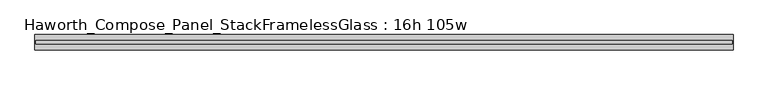
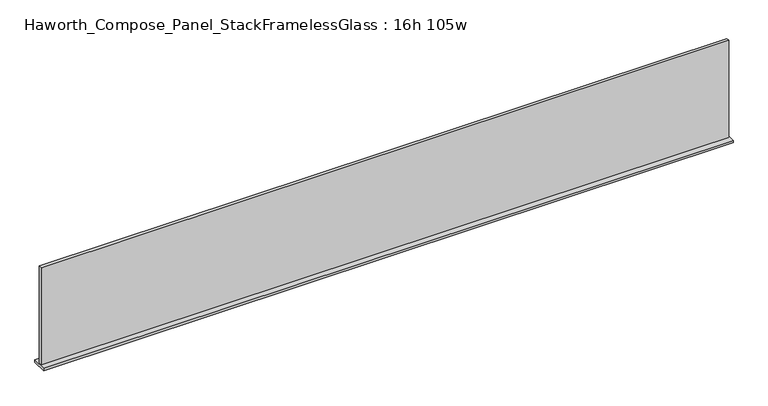
"""IFC4 building model written with IfcOpenShell, lengths in millimetres: furniture geometry, Haworth_Compose_Panel_StackFramelessGlass : 16h 105w."""

from ifc_helpers import new_model, si_unit, frame, origin, place, context, project, spatial, polyline, outline, extrude, source, transform, mapped, element, save


def haworth_compose_panel_stackframelessglass_16h_105w_3ed5bdb9(model_context):
    return source(origin(), model_context, "Body", "SweptSolid", [
        extrude(outline(polyline([(1332.7652902, -27.3093594), (-1327.8847098, -27.3093594), (-1327.8847098, -14.6093594), (1332.7652902, -14.6093594), (1332.7652902, -27.3093594)])), frame((0.0, 0.0, 1279.525), z_axis=(0.0, 0.0, 1.0), x_axis=(1.0, 0.0, 0.0)), (0.0, 0.0, 1.0), 396.875),
        extrude(outline(polyline([(-1331.0597098, -50.3281094), (-1331.0597098, 8.4093906), (1335.9402902, 8.4093906), (1335.9402902, -50.3281094), (-1331.0597098, -50.3281094)])), frame((0.0, 0.0, 1270.0), z_axis=(0.0, 0.0, 1.0), x_axis=(1.0, 0.0, 0.0)), (0.0, 0.0, 1.0), 9.525),
    ])


if __name__ == "__main__":
    model = new_model("IFC4")
    model_context = context("Model", 3, world=origin())
    ifc_project = project(units=[si_unit("LENGTHUNIT", "METRE", prefix="MILLI")], contexts=[model_context])
    site = spatial("IfcSite", under=ifc_project)
    building = spatial("IfcBuilding", under=site)
    placement = place(None, origin())
    haworth_compose_panel_stackframelessglass_16h_105w_shape = haworth_compose_panel_stackframelessglass_16h_105w_3ed5bdb9(model_context)
    element("IfcFurniture", 1, ObjectType="Haworth_Compose_Panel_StackFramelessGlass : 16h 105w", at=placement, inside=building, context=model_context, shape_type="MappedRepresentation", body=[
        mapped(haworth_compose_panel_stackframelessglass_16h_105w_shape, transform((0.0, 0.0, 0.0), x_axis=(1.0, 0.0, 0.0), y_axis=(0.0, 1.0, 0.0), z_axis=(0.0, 0.0, 1.0))),
    ])
    save(model, "model.ifc")
